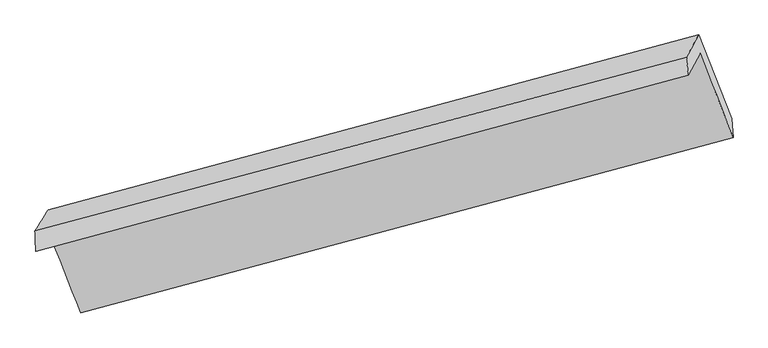
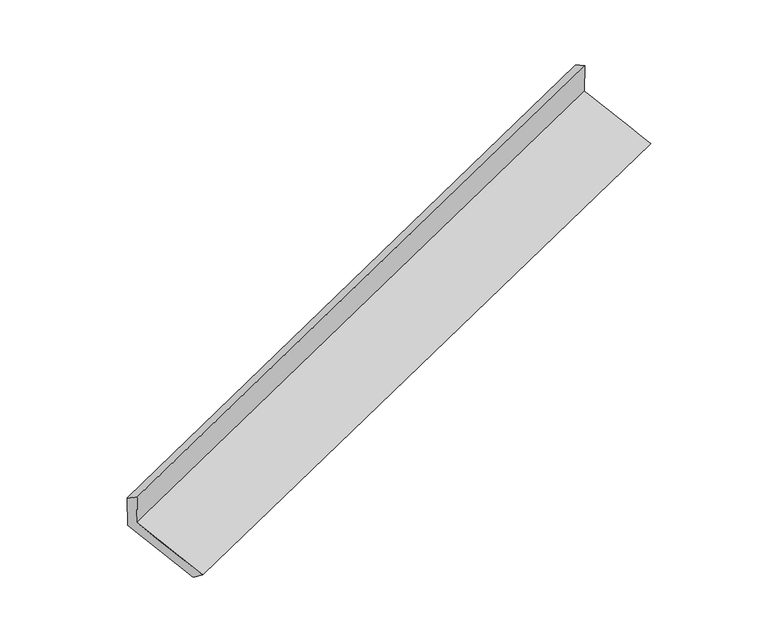
"""IFC4 building model written with IfcOpenShell, lengths in millimetres: proxy geometry."""

from ifc_helpers import new_model, si_unit, frame, origin, place, context, project, spatial, source, transform, mapped, element, save
from ifc_brep_helpers import plane_surface, spline_surface, advanced_brep


def generic_models_b64da8ff(model_context):
    return source(origin(), model_context, "Body", "AdvancedBrep", [
        advanced_brep(
        [(-5296.7926035, -2101.8505442, 1478.5297814), (-5211.9400333, -1944.826067, 1119.4570816), (-603.5027871, -702.0966884, 2720.0989458), (-687.41194, -857.3753184, 3075.179363), (-5302.6059985, -1958.6944421, 1385.781583), (-698.6799313, -728.3727552, 3008.4176975), (-5209.14263, -1809.5157995, 1008.4014252), (-613.7086372, -571.1285729, 2648.8425915), (-4979.2972188, -2395.1973002, 806.5944997), (-380.2272247, -1164.9857916, 2444.3196038), (-4978.8873061, -2538.6803025, 914.8340957), (-370.0348517, -1295.9196283, 2515.5877636)],
        [
            (0, 1),
            (1, 2),
            (2, 3),
            (3, 0),
            (4, 0),
            (3, 5),
            (5, 4),
            (6, 4),
            (5, 7),
            (7, 6),
            (8, 6),
            (7, 9),
            (9, 8),
            (10, 8),
            (9, 11),
            (11, 10),
            (1, 10),
            (11, 2),
        ],
        [
            plane_surface(frame((-5254.3663184, -2023.3383056, 1298.9934315), z_axis=(0.3455627220012133, -0.8870198856488706, -0.3062386775483744), x_axis=(0.21160975703920543, 0.3915958158970465, -0.8954741915307973))),
            spline_surface(1, 1, [[(-5302.6059985, -1958.6944421, 1385.781583), (-698.6799313, -728.3727552, 3008.4176975)], [(-5296.7926035, -2101.8505442, 1478.5297814), (-687.41194, -857.3753184, 3075.179363)]], [2, 2], [2, 2], [0.0, 1.0], [0.0, 1.0]),
            spline_surface(1, 1, [[(-5209.14263, -1809.5157995, 1008.4014252), (-613.7086372, -571.1285729, 2648.8425915)], [(-5302.6059985, -1958.6944421, 1385.781583), (-698.6799313, -728.3727552, 3008.4176975)]], [2, 2], [2, 2], [0.0, 1.0], [0.0, 1.0]),
            spline_surface(1, 1, [[(-4979.2972188, -2395.1973002, 806.5944997), (-380.2272247, -1164.9857916, 2444.3196038)], [(-5209.14263, -1809.5157995, 1008.4014252), (-613.7086372, -571.1285729, 2648.8425915)]], [2, 2], [2, 2], [0.0, 1.0], [0.0, 1.0]),
            spline_surface(1, 1, [[(-4978.8873061, -2538.6803025, 914.8340957), (-370.0348517, -1295.9196283, 2515.5877636)], [(-4979.2972188, -2395.1973002, 806.5944997), (-380.2272247, -1164.9857916, 2444.3196038)]], [2, 2], [2, 2], [0.0, 1.0], [0.0, 1.0]),
            spline_surface(1, 1, [[(-5211.9400333, -1944.826067, 1119.4570816), (-603.5027871, -702.0966884, 2720.0989458)], [(-4978.8873061, -2538.6803025, 914.8340957), (-370.0348517, -1295.9196283, 2515.5877636)]], [2, 2], [2, 2], [0.0, 1.0], [0.0, 1.0]),
            plane_surface(frame((-558.927562, -886.6464592, 2735.4076609), z_axis=(0.9131335294191079, 0.24742877569249166, 0.32398481200500434), x_axis=(-0.348437179670041, 0.8862458563690085, 0.30522092636703396))),
            plane_surface(frame((-5163.110965, -2124.7940759, 1118.9330778), z_axis=(-0.9133533992919495, -0.24686902675698819, -0.3237919882114108), x_axis=(-0.21160975703924886, -0.3915958158970597, 0.8954741915307812))),
        ],
        [
            (0, [[1, 2, 3, 4]]),
            (1, [[5, -4, 6, 7]]),
            (2, [[8, -7, 9, 10]]),
            (3, [[11, -10, 12, 13]]),
            (4, [[14, -13, 15, 16]]),
            (5, [[17, -16, 18, -2]]),
            (6, [[-12, -9, -6, -3, -18, -15]]),
            (7, [[-1, -5, -8, -11, -14, -17]]),
        ],
    ),
    ])


if __name__ == "__main__":
    model = new_model("IFC4")
    model_context = context("Model", 3, world=origin())
    ifc_project = project(units=[si_unit("LENGTHUNIT", "METRE", prefix="MILLI")], contexts=[model_context])
    site = spatial("IfcSite", under=ifc_project)
    building = spatial("IfcBuilding", under=site)
    placement = place(None, origin())
    generic_models_shape = generic_models_b64da8ff(model_context)
    element("IfcBuildingElementProxy", 1, Name="Generic Models", at=placement, inside=building, context=model_context, shape_type="MappedRepresentation", body=[
        mapped(generic_models_shape, transform((0.0, 0.0, 0.0), x_axis=(1.0, 0.0, 0.0), y_axis=(0.0, 1.0, 0.0), z_axis=(0.0, 0.0, 1.0))),
    ])
    save(model, "model.ifc")
